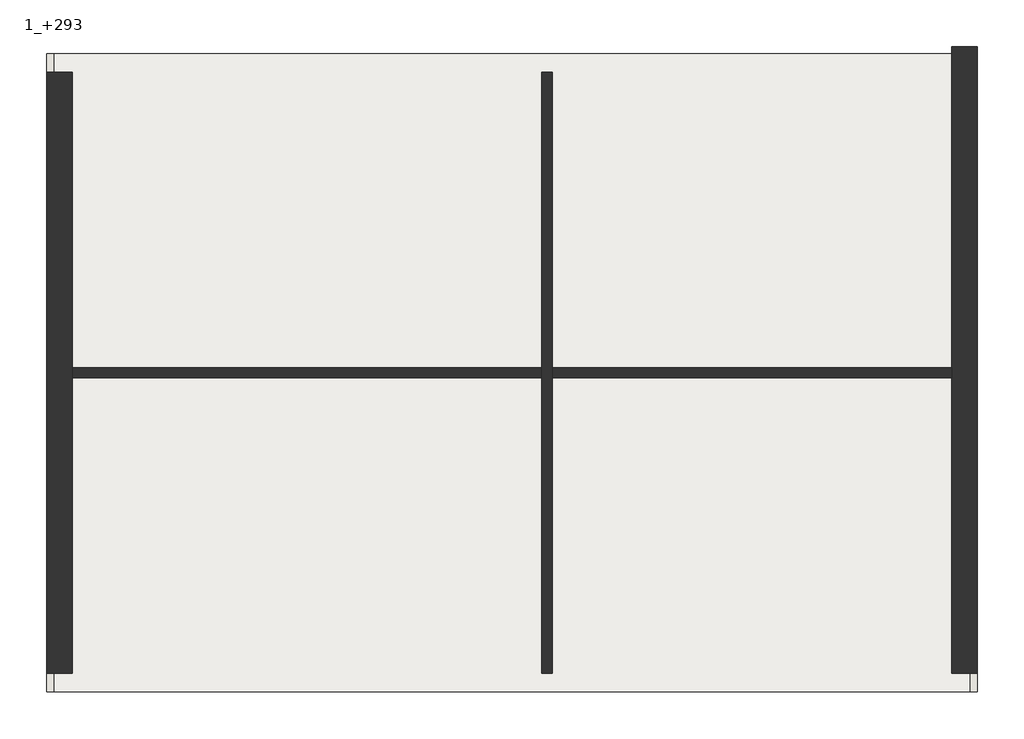
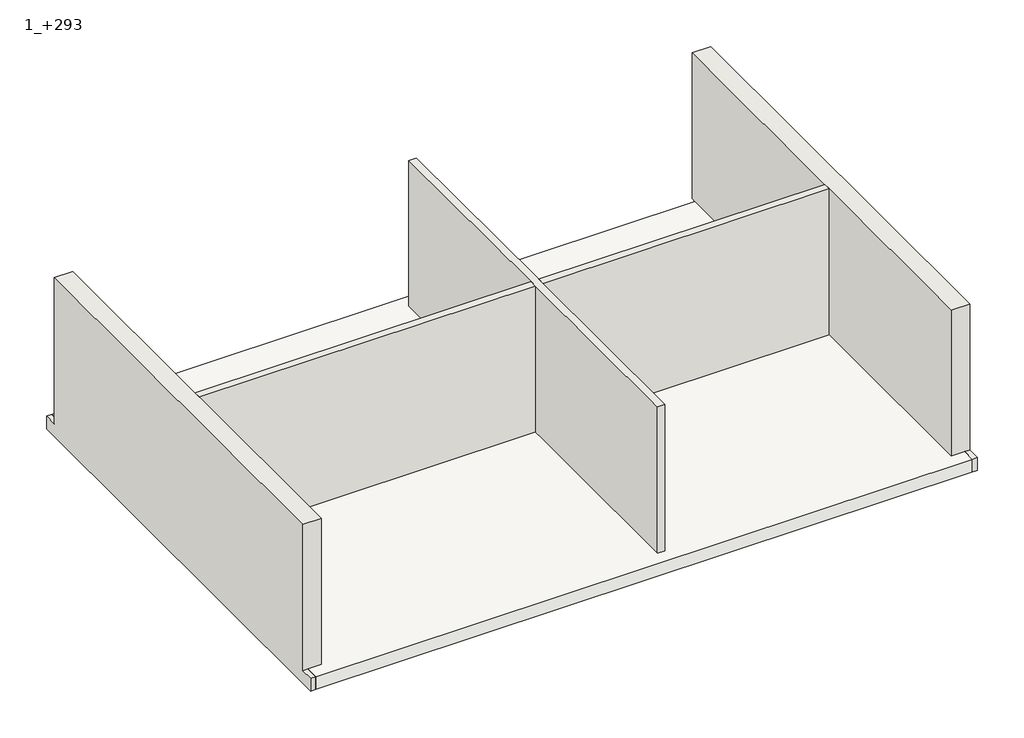
# One storey: 4 walls, 1 slab.
"""IFC4 building model written with IfcOpenShell, lengths in millimetres."""

from ifc_helpers import new_model, si_unit, origin, place, context, project, spatial, faceted_brep, element, save

model = new_model("IFC4")

# Units and contexts
model_context = context("Model", 3, world=origin())
ifc_project = project(units=[si_unit("LENGTHUNIT", "METRE", prefix="MILLI")], contexts=[model_context])

# Site, building, storey
site = spatial("IfcSite", under=ifc_project)
building = spatial("IfcBuilding", under=site)
storey = spatial("IfcBuildingStorey", under=building, Name="1_+293", Elevation=2930.0)

# Slab
placement = place(None, origin())
element("IfcSlab", 1, ObjectType="Floor_27", at=placement, inside=storey, context=model_context, shape_type="Brep", body=[
    faceted_brep([(-3533.8319159, 11934.6977103, 2660.0), (9636.1680841, 11934.6977103, 2660.0), (9636.1680841, 2764.6977103, 2660.0), (-3533.8319159, 2764.6977103, 2660.0), (-3533.8319159, 11934.6977103, 2930.0), (-3533.8319159, 11664.6977103, 2930.0), (-3533.8319159, 3034.6977103, 2930.0), (-3533.8319159, 2764.6977103, 2930.0), (9636.1680841, 2764.6977103, 2930.0), (9636.1680841, 3034.6977103, 2930.0), (9636.1680841, 11934.6977103, 2930.0), (9366.1680841, 11934.6977103, 2930.0)], [[[0, 1, 2, 3]], [[4, 5, 6, 7, 8, 9, 10, 11]], [[1, 0, 4, 11, 10]], [[2, 1, 10, 9, 8]], [[3, 2, 8, 7]], [[0, 3, 7, 6, 5, 4]]]),
])

# Walls
element("IfcWall", 2, ObjectType="Wall_Ext_37cm", at=placement, inside=storey, context=model_context, shape_type="Brep", body=[
    faceted_brep([(9736.1680841, 12034.6977103, 6030.0), (9736.1680841, 3034.6977103, 6030.0), (9736.1680841, 3034.6977103, 2930.0), (9736.1680841, 2764.6977103, 2930.0), (9736.1680841, 2764.6977103, 2660.0), (9736.1680841, 12034.6977103, 2660.0), (9366.1680841, 3034.6977103, 6030.0), (9366.1680841, 7274.6977103, 6030.0), (9366.1680841, 7424.6977103, 6030.0), (9366.1680841, 11664.6977103, 6030.0), (9366.1680841, 12034.6977103, 6030.0), (9366.1680841, 12034.6977103, 2930.0), (9366.1680841, 11934.6977103, 2930.0), (9366.1680841, 11664.6977103, 2930.0), (9366.1680841, 7424.6977103, 2930.0), (9366.1680841, 7274.6977103, 2930.0), (9366.1680841, 3034.6977103, 2930.0), (9636.1680841, 3034.6977103, 2930.0), (9636.1680841, 12034.6977103, 2930.0), (9636.1680841, 11934.6977103, 2930.0), (9636.1680841, 12034.6977103, 2660.0), (9636.1680841, 11934.6977103, 2660.0), (9636.1680841, 2764.6977103, 2660.0), (9636.1680841, 2764.6977103, 2930.0)], [[[0, 1, 2, 3, 4, 5]], [[6, 7, 8, 9, 10, 11, 12, 13, 14, 15, 16]], [[1, 0, 10, 9, 8, 7, 6]], [[17, 16, 15, 14, 13, 12, 11, 18, 19]], [[1, 6, 16, 17, 2]], [[0, 5, 20, 18, 11, 10]], [[18, 20, 21, 22, 23, 17, 19]], [[20, 5, 4, 22, 21]], [[3, 2, 17, 23]], [[22, 4, 3, 23]]]),
])
element("IfcWall", 3, ObjectType="Wall_Ext_37cm", at=placement, inside=storey, context=model_context, shape_type="Brep", body=[
    faceted_brep([(-3633.8319159, 3034.6977103, 6030.0), (-3633.8319159, 11664.6977103, 6030.0), (-3633.8319159, 11664.6977103, 2930.0), (-3633.8319159, 11934.6977103, 2930.0), (-3633.8319159, 11934.6977103, 2660.0), (-3633.8319159, 2764.6977103, 2660.0), (-3633.8319159, 2764.6977103, 2930.0), (-3633.8319159, 3034.6977103, 2930.0), (-3263.8319159, 3034.6977103, 2930.0), (-3263.8319159, 7274.6977103, 2930.0), (-3263.8319159, 7424.6977103, 2930.0), (-3263.8319159, 11664.6977103, 2930.0), (-3263.8319159, 11664.6977103, 6030.0), (-3263.8319159, 7424.6977103, 6030.0), (-3263.8319159, 7274.6977103, 6030.0), (-3263.8319159, 3034.6977103, 6030.0), (-3533.8319159, 3034.6977103, 2930.0), (-3533.8319159, 11664.6977103, 2930.0), (-3533.8319159, 2764.6977103, 2930.0), (-3533.8319159, 2764.6977103, 2660.0), (-3533.8319159, 11934.6977103, 2660.0), (-3533.8319159, 11934.6977103, 2930.0)], [[[0, 1, 2, 3, 4, 5, 6, 7]], [[8, 9, 10, 11, 12, 13, 14, 15]], [[1, 0, 15, 14, 13, 12]], [[11, 10, 9, 8, 16, 17]], [[17, 16, 18, 19, 20, 21]], [[19, 5, 4, 20]], [[8, 15, 0, 7, 16]], [[1, 12, 11, 17, 2]], [[18, 16, 7, 6]], [[5, 19, 18, 6]], [[3, 2, 17, 21]], [[20, 4, 3, 21]]]),
])
element("IfcWall", 4, ObjectType="Wall_Int_15 cm", at=placement, inside=storey, context=model_context, shape_type="Brep", body=[
    faceted_brep([(3476.1680841, 11664.6977103, 2930.0), (3476.1680841, 7424.6977103, 2930.0), (3476.1680841, 7274.6977103, 2930.0), (3476.1680841, 3034.6977103, 2930.0), (3476.1680841, 3034.6977103, 6030.0), (3476.1680841, 7274.6977103, 6030.0), (3476.1680841, 7424.6977103, 6030.0), (3476.1680841, 11664.6977103, 6030.0), (3626.1680841, 11664.6977103, 2930.0), (3626.1680841, 11664.6977103, 6030.0), (3626.1680841, 7424.6977103, 6030.0), (3626.1680841, 7274.6977103, 6030.0), (3626.1680841, 3034.6977103, 6030.0), (3626.1680841, 3034.6977103, 2930.0), (3626.1680841, 7274.6977103, 2930.0), (3626.1680841, 7424.6977103, 2930.0)], [[[0, 1, 2, 3, 4, 5, 6, 7]], [[8, 9, 10, 11, 12, 13, 14, 15]], [[3, 2, 1, 0, 8, 15, 14, 13]], [[7, 6, 5, 4, 12, 11, 10, 9]], [[4, 3, 13, 12]], [[0, 7, 9, 8]]]),
])
element("IfcWall", 5, ObjectType="Wall_Int_15 cm", at=placement, inside=storey, context=model_context, shape_type="Brep", body=[
    faceted_brep([(9366.1680841, 7424.6977103, 6030.0), (9366.1680841, 7424.6977103, 2930.0), (3626.1680841, 7424.6977103, 2930.0), (3626.1680841, 7424.6977103, 6030.0), (9366.1680841, 7274.6977103, 2930.0), (9366.1680841, 7274.6977103, 6030.0), (3626.1680841, 7274.6977103, 6030.0), (3626.1680841, 7274.6977103, 2930.0)], [[[0, 1, 2, 3]], [[4, 5, 6, 7]], [[1, 4, 7, 2]], [[5, 0, 3, 6]], [[1, 0, 5, 4]], [[3, 2, 7, 6]]]),
    faceted_brep([(-3263.8319159, 7424.6977103, 2930.0), (-3263.8319159, 7424.6977103, 3100.0), (-3263.8319159, 7424.6977103, 6030.0), (3476.1680841, 7424.6977103, 6030.0), (3476.1680841, 7424.6977103, 3100.0), (3476.1680841, 7424.6977103, 2930.0), (-3263.8319159, 7274.6977103, 6030.0), (-3263.8319159, 7274.6977103, 3100.0), (-3263.8319159, 7274.6977103, 2930.0), (3476.1680841, 7274.6977103, 2930.0), (3476.1680841, 7274.6977103, 3100.0), (3476.1680841, 7274.6977103, 6030.0)], [[[0, 1, 2, 3, 4, 5]], [[6, 7, 8, 9, 10, 11]], [[8, 0, 5, 9]], [[2, 6, 11, 3]], [[5, 4, 3, 11, 10, 9]], [[2, 1, 0, 8, 7, 6]]]),
])

save(model, "model.ifc")
